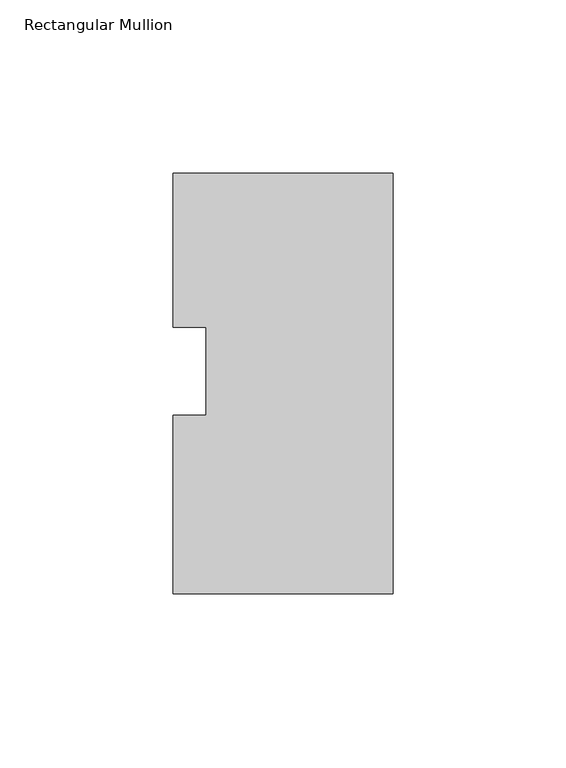
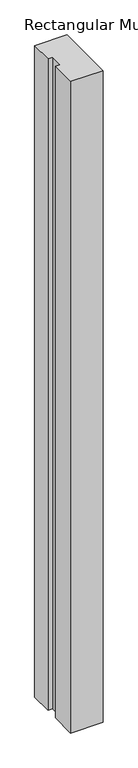
"""IFC4 building model written with IfcOpenShell, lengths in millimetres: member geometry, Rectangular Mullion."""

from ifc_helpers import new_model, si_unit, frame, origin, place, context, project, spatial, polyline, outline, extrude, source, transform, mapped, element, save


def rectangular_mullion_0a0254f7(model_context):
    return source(origin(), model_context, "Body", "SweptSolid", [
        extrude(outline(polyline([(-63.49365, 12.6860737), (-63.49365, 57.1097915), (0.0, 57.1097915), (0.0, -64.3276085), (-63.5010153, -64.3276085), (-63.5010153, -12.8016247), (-53.9760153, -12.8016247), (-53.9760153, 12.6860737), (-63.49365, 12.6860737)])), frame((0.0, 0.0, -1346.0206924), z_axis=(0.0, 0.0, 1.0), x_axis=(1.0, 0.0, 0.0)), (0.0, 0.0, 1.0), 1346.0206924),
    ])


if __name__ == "__main__":
    model = new_model("IFC4")
    model_context = context("Model", 3, world=origin())
    ifc_project = project(units=[si_unit("LENGTHUNIT", "METRE", prefix="MILLI")], contexts=[model_context])
    site = spatial("IfcSite", under=ifc_project)
    building = spatial("IfcBuilding", under=site)
    placement = place(None, origin())
    rectangular_mullion_shape = rectangular_mullion_0a0254f7(model_context)
    element("IfcMember", 1, ObjectType="Rectangular Mullion", at=placement, inside=building, context=model_context, shape_type="MappedRepresentation", body=[
        mapped(rectangular_mullion_shape, transform((0.0, 0.0, 0.0), x_axis=(1.0, 0.0, 0.0), y_axis=(0.0, 1.0, 0.0), z_axis=(0.0, 0.0, 1.0))),
    ])
    save(model, "model.ifc")
